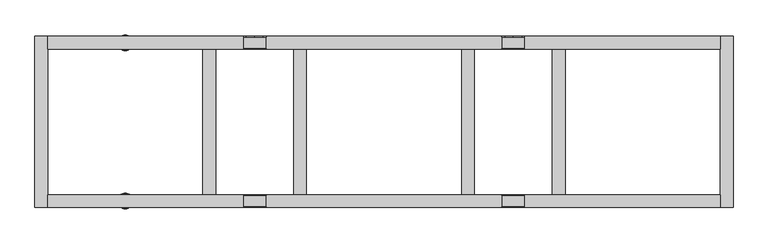
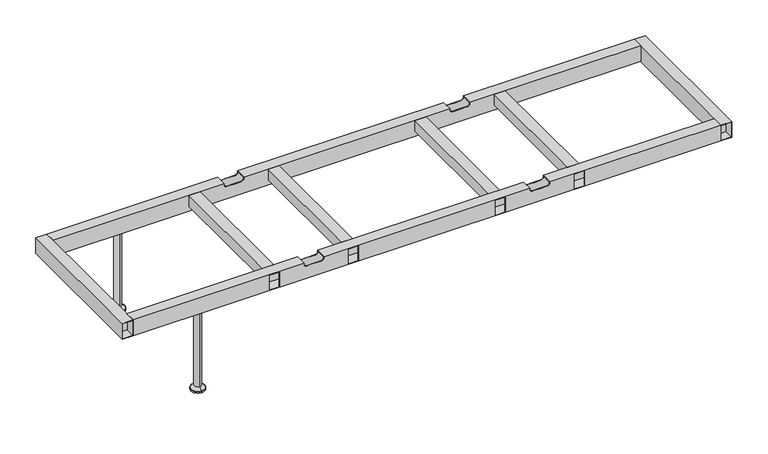
"""IFC4 building model written with IfcOpenShell, lengths in millimetres: furniture geometry."""

from ifc_helpers import new_model, si_unit, point, frame, origin, place, context, project, spatial, polyline, circle_curve, ellipse_curve, trimmed, outline, extrude, source, transform, mapped, element, save
from ifc_brep_helpers import plane_surface, cylinder_surface, revolved_surface, advanced_brep


def furniture_a7c783ca(model_context):
    return source(origin(), model_context, "Body", "SolidModel", [
        advanced_brep(
        [(-815.9812488, -275.0000031, 0.0), (-815.9812488, -225.0000031, 0.0), (-815.9812488, -250.0000031, 0.0), (-815.9812488, -250.0000031, 344.8637637), (-815.9812488, -237.5284391, 344.8637637), (-815.9812488, -262.4715672, 344.8637637), (-815.9812488, -237.5284391, 16.2604994), (-815.9812488, -262.4715672, 16.2604994), (-815.9812488, -226.770535, 5.5025953), (-815.9812488, -273.2294713, 5.5025953), (-815.9812488, -225.0000031, 5.5025953), (-815.9812488, -275.0000031, 5.5025953)],
        [
            (0, 1, circle_curve(frame((-815.9812488, -250.0000031, 0.0), z_axis=(0.0, 0.0, -1.0), x_axis=(0.0, 1.0, 0.0)), 25.0)),
            (1, 2),
            (2, 0),
            (1, 0, circle_curve(frame((-815.9812488, -250.0000031, 0.0), z_axis=(0.0, 0.0, -1.0), x_axis=(0.0, 1.0, 0.0)), 25.0)),
            (3, 4),
            (4, 5, circle_curve(frame((-815.9812488, -250.0000031, 344.8637637), z_axis=(0.0, 0.0, 1.0), x_axis=(0.0, 1.0, 0.0)), 12.471564)),
            (5, 3),
            (5, 4, circle_curve(frame((-815.9812488, -250.0000031, 344.8637637), z_axis=(0.0, 0.0, 1.0), x_axis=(0.0, 1.0, 0.0)), 12.471564)),
            (4, 6),
            (6, 7, circle_curve(frame((-815.9812488, -250.0000031, 16.2604994), z_axis=(0.0, 0.0, 1.0), x_axis=(0.0, 1.0, 0.0)), 12.471564)),
            (7, 5),
            (7, 6, circle_curve(frame((-815.9812488, -250.0000031, 16.2604994), z_axis=(0.0, 0.0, 1.0), x_axis=(0.0, 1.0, 0.0)), 12.471564)),
            (6, 8, circle_curve(frame((-815.9812488, -226.770535, 16.2604994), z_axis=(1.0, 0.0, 0.0), x_axis=(0.0, 1.0, 0.0)), 10.7579041)),
            (8, 9, circle_curve(frame((-815.9812488, -250.0000031, 5.5025953), z_axis=(0.0, 0.0, 1.0), x_axis=(0.0, 1.0, 0.0)), 23.2294681)),
            (9, 7, circle_curve(frame((-815.9812488, -273.2294713, 16.2604994), z_axis=(1.0, 0.0, 0.0), x_axis=(0.0, -1.0, 0.0)), 10.7579041)),
            (9, 8, circle_curve(frame((-815.9812488, -250.0000031, 5.5025953), z_axis=(0.0, 0.0, 1.0), x_axis=(0.0, 1.0, 0.0)), 23.2294681)),
            (8, 10),
            (10, 11, circle_curve(frame((-815.9812488, -250.0000031, 5.5025953), z_axis=(0.0, 0.0, 1.0), x_axis=(0.0, 1.0, 0.0)), 25.0)),
            (11, 9),
            (11, 10, circle_curve(frame((-815.9812488, -250.0000031, 5.5025953), z_axis=(0.0, 0.0, 1.0), x_axis=(0.0, 1.0, 0.0)), 25.0)),
            (10, 1),
            (0, 11),
        ],
        [
            plane_surface(frame((-815.9812488, -250.0000031, 0.0), z_axis=(0.0, 0.0, -1.0), x_axis=(0.0, 1.0, 0.0))),
            plane_surface(frame((-815.9812488, -250.0000031, 344.8637637), z_axis=(0.0, 0.0, 1.0), x_axis=(0.0, 1.0, 0.0))),
            cylinder_surface(frame((-815.9812488, -250.0000031, 344.8637637), z_axis=(0.0, 0.0, 1.0), x_axis=(0.0, 1.0, 0.0)), 12.471564),
            revolved_surface(trimmed(ellipse_curve(frame((-815.9812488, -226.770535, 16.2604994), z_axis=(-1.0, 0.0, 0.0), x_axis=(0.0, 1.0, 0.0)), 10.7579041, 10.7579041), [point((-815.9812488, -226.770535, 5.5025953))], [point((-815.9812488, -237.5284391, 16.2604994))], True, "CARTESIAN"), (-815.9812488, -250.0000031, 344.8637637), (0.0, 0.0, 1.0)),
            plane_surface(frame((-815.9812488, -250.0000031, 5.5025953), z_axis=(0.0, 0.0, 1.0), x_axis=(0.0, 1.0, 0.0))),
            cylinder_surface(frame((-815.9812488, -250.0000031, 344.8637637), z_axis=(0.0, 0.0, 1.0), x_axis=(0.0, 1.0, 0.0)), 25.0),
        ],
        [
            (0, [[1, 2, 3]]),
            (0, [[4, -3, -2]]),
            (1, [[5, 6, 7]]),
            (1, [[-7, 8, -5]]),
            (2, [[-6, 9, 10, 11]]),
            (2, [[-8, -11, 12, -9]]),
            (3, [[-10, 13, 14, 15]]),
            (3, [[-12, -15, 16, -13]]),
            (4, [[-14, 17, 18, 19]]),
            (4, [[-16, -19, 20, -17]]),
            (5, [[-18, 21, -1, 22]]),
            (5, [[-20, -22, -4, -21]]),
        ],
    ),
        advanced_brep(
        [(-815.9812488, 250.0000031, 0.0), (-815.9812488, 225.0000031, 0.0), (-815.9812488, 275.0000031, 0.0), (-815.9812488, 262.4715672, 344.8637637), (-815.9812488, 237.5284391, 344.8637637), (-815.9812488, 250.0000031, 344.8637637), (-815.9812488, 262.4715672, 16.2604994), (-815.9812488, 237.5284391, 16.2604994), (-815.9812488, 273.2294713, 5.5025953), (-815.9812488, 226.770535, 5.5025953), (-815.9812488, 275.0000031, 5.5025953), (-815.9812488, 225.0000031, 5.5025953)],
        [
            (0, 1),
            (1, 2, circle_curve(frame((-815.9812488, 250.0000031, 0.0), z_axis=(0.0, 0.0, -1.0), x_axis=(0.0, -1.0, 0.0)), 25.0)),
            (2, 0),
            (2, 1, circle_curve(frame((-815.9812488, 250.0000031, 0.0), z_axis=(0.0, 0.0, -1.0), x_axis=(0.0, -1.0, 0.0)), 25.0)),
            (3, 4, circle_curve(frame((-815.9812488, 250.0000031, 344.8637637), z_axis=(0.0, 0.0, 1.0), x_axis=(0.0, -1.0, 0.0)), 12.471564)),
            (4, 5),
            (5, 3),
            (4, 3, circle_curve(frame((-815.9812488, 250.0000031, 344.8637637), z_axis=(0.0, 0.0, 1.0), x_axis=(0.0, -1.0, 0.0)), 12.471564)),
            (6, 7, circle_curve(frame((-815.9812488, 250.0000031, 16.2604994), z_axis=(0.0, 0.0, 1.0), x_axis=(0.0, -1.0, 0.0)), 12.471564)),
            (7, 4),
            (3, 6),
            (7, 6, circle_curve(frame((-815.9812488, 250.0000031, 16.2604994), z_axis=(0.0, 0.0, 1.0), x_axis=(0.0, -1.0, 0.0)), 12.471564)),
            (8, 9, circle_curve(frame((-815.9812488, 250.0000031, 5.5025953), z_axis=(0.0, 0.0, 1.0), x_axis=(0.0, -1.0, 0.0)), 23.2294681)),
            (9, 7, circle_curve(frame((-815.9812488, 226.770535, 16.2604994), z_axis=(1.0, 0.0, 0.0), x_axis=(0.0, -1.0, 0.0)), 10.7579041)),
            (6, 8, circle_curve(frame((-815.9812488, 273.2294713, 16.2604994), z_axis=(1.0, 0.0, 0.0), x_axis=(0.0, 1.0, 0.0)), 10.7579041)),
            (9, 8, circle_curve(frame((-815.9812488, 250.0000031, 5.5025953), z_axis=(0.0, 0.0, 1.0), x_axis=(0.0, -1.0, 0.0)), 23.2294681)),
            (10, 11, circle_curve(frame((-815.9812488, 250.0000031, 5.5025953), z_axis=(0.0, 0.0, 1.0), x_axis=(0.0, -1.0, 0.0)), 25.0)),
            (11, 9),
            (8, 10),
            (11, 10, circle_curve(frame((-815.9812488, 250.0000031, 5.5025953), z_axis=(0.0, 0.0, 1.0), x_axis=(0.0, -1.0, 0.0)), 25.0)),
            (1, 11),
            (10, 2),
        ],
        [
            plane_surface(frame((-815.9812488, 250.0000031, 0.0), z_axis=(0.0, 0.0, -1.0), x_axis=(0.0, -1.0, 0.0))),
            plane_surface(frame((-815.9812488, 250.0000031, 344.8637637), z_axis=(0.0, 0.0, 1.0), x_axis=(0.0, -1.0, 0.0))),
            cylinder_surface(frame((-815.9812488, 250.0000031, 344.8637637), z_axis=(0.0, 0.0, -1.0), x_axis=(0.0, -1.0, 0.0)), 12.471564),
            revolved_surface(trimmed(ellipse_curve(frame((-815.9812488, 226.770535, 16.2604994), z_axis=(-1.0, 0.0, 0.0), x_axis=(0.0, -1.0, 0.0)), 10.7579041, 10.7579041), [point((-815.9812488, 237.5284391, 16.2604994))], [point((-815.9812488, 226.770535, 5.5025953))], True, "CARTESIAN"), (-815.9812488, 250.0000031, 344.8637637), (0.0, 0.0, -1.0)),
            plane_surface(frame((-815.9812488, 250.0000031, 5.5025953), z_axis=(0.0, 0.0, 1.0), x_axis=(0.0, -1.0, 0.0))),
            cylinder_surface(frame((-815.9812488, 250.0000031, 344.8637637), z_axis=(0.0, 0.0, -1.0), x_axis=(0.0, -1.0, 0.0)), 25.0),
        ],
        [
            (0, [[1, 2, 3]]),
            (0, [[-3, 4, -1]]),
            (1, [[5, 6, 7]]),
            (1, [[8, -7, -6]]),
            (2, [[9, 10, -5, 11]]),
            (2, [[12, -11, -8, -10]]),
            (3, [[13, 14, -9, 15]]),
            (3, [[16, -15, -12, -14]]),
            (4, [[17, 18, -13, 19]]),
            (4, [[20, -19, -16, -18]]),
            (5, [[-2, 21, -17, 22]]),
            (5, [[-4, -22, -20, -21]]),
        ],
    ),
        advanced_brep(
        [(-407.9906244, -230.0000056, 346.6346058), (-407.9906244, -232.0000018, 346.6346058), (-381.9939756, -232.0000018, 346.6346058), (-381.9939756, -230.0000056, 346.6346058), (-407.9906244, -268.0000023, 346.6346058), (-407.9906244, -270.0000061, 346.6346058), (-381.9939756, -270.0000061, 346.6346058), (-381.9939756, -268.0000023, 346.6346058), (-371.9939756, -232.0000018, 356.6346058), (-371.9939756, -230.0000056, 356.6346058), (-371.9939756, -270.0000061, 356.6346058), (-371.9939756, -268.0000023, 356.6346058), (-371.9939756, -232.0000018, 357.9224338), (-371.9939756, -268.0000023, 357.9224338), (-371.9939756, -270.0000061, 359.922434), (-371.9939756, -230.0000056, 359.922434), (-443.9872732, -232.0000018, 356.6346058), (-443.9872732, -230.0000056, 356.6346058), (-443.9872732, -230.0000056, 359.922434), (-443.9872732, -270.0000061, 359.922434), (-443.9872732, -270.0000061, 356.6346058), (-443.9872732, -268.0000023, 356.6346058), (-443.9872732, -268.0000023, 357.9224338), (-443.9872732, -232.0000018, 357.9224338), (-433.9872732, -230.0000056, 346.6346058), (-433.9872732, -232.0000018, 346.6346058), (-433.9872732, -268.0000023, 346.6346058), (-433.9872732, -270.0000061, 346.6346058), (1060.9822296, -230.0000056, 359.922434), (1060.9822296, -270.0000061, 359.922434), (1060.9822296, -270.0000061, 299.9223263), (1060.9822296, -230.0000056, 299.9223263), (1060.9822296, -268.0000023, 301.9086098), (1060.9822296, -268.0000023, 357.9224338), (1060.9822296, -232.0000018, 357.9224338), (1060.9822296, -232.0000018, 301.9086098), (-1060.9822296, -230.0000056, 359.922434), (-1060.9822296, -230.0000056, 299.9223263), (-1060.9822296, -270.0000061, 299.9223263), (-1060.9822296, -270.0000061, 359.922434), (-1060.9822296, -268.0000023, 301.9086098), (-1060.9822296, -232.0000018, 301.9086098), (-1060.9822296, -232.0000018, 357.9224338), (-1060.9822296, -268.0000023, 357.9224338), (371.9939756, -230.0000056, 359.922434), (371.9939756, -230.0000056, 356.6346058), (381.9939756, -230.0000056, 346.6346058), (407.9906244, -230.0000056, 346.6346058), (433.9872732, -230.0000056, 346.6346058), (443.9872732, -230.0000056, 356.6346058), (443.9872732, -230.0000056, 359.922434), (443.9872732, -270.0000061, 359.922434), (443.9872732, -270.0000061, 356.6346058), (433.9872732, -270.0000061, 346.6346058), (407.9906244, -270.0000061, 346.6346058), (381.9939756, -270.0000061, 346.6346058), (371.9939756, -270.0000061, 356.6346058), (371.9939756, -270.0000061, 359.922434), (-568.96075, -270.0000061, 357.9224338), (-532.9720684, -270.0000061, 357.9224338), (-532.9720684, -270.0000061, 301.9086098), (-568.96075, -270.0000061, 301.9086098), (-283.0091805, -270.0000061, 357.9224338), (-247.0204988, -270.0000061, 357.9224338), (-247.0204988, -270.0000061, 301.9086098), (-283.0091805, -270.0000061, 301.9086098), (247.0204988, -270.0000061, 357.9224338), (283.0091805, -270.0000061, 357.9224338), (283.0091805, -270.0000061, 301.9086098), (247.0204988, -270.0000061, 301.9086098), (532.9720684, -270.0000061, 357.9224338), (568.96075, -270.0000061, 357.9224338), (568.96075, -270.0000061, 301.9086098), (532.9720684, -270.0000061, 301.9086098), (-568.96075, -268.0000023, 301.9086098), (-532.9720684, -268.0000023, 301.9086098), (-283.0091805, -268.0000023, 301.9086098), (-247.0204988, -268.0000023, 301.9086098), (247.0204988, -268.0000023, 301.9086098), (283.0091805, -268.0000023, 301.9086098), (532.9720684, -268.0000023, 301.9086098), (568.96075, -268.0000023, 301.9086098), (443.9872732, -232.0000018, 357.9224338), (443.9872732, -232.0000018, 356.6346058), (433.9872732, -232.0000018, 346.6346058), (407.9906244, -232.0000018, 346.6346058), (381.9939756, -232.0000018, 346.6346058), (371.9939756, -232.0000018, 356.6346058), (371.9939756, -232.0000018, 357.9224338), (568.96075, -268.0000023, 357.9224338), (532.9720684, -268.0000023, 357.9224338), (443.9872732, -268.0000023, 357.9224338), (-532.9720684, -268.0000023, 357.9224338), (-568.96075, -268.0000023, 357.9224338), (371.9939756, -268.0000023, 357.9224338), (283.0091805, -268.0000023, 357.9224338), (247.0204988, -268.0000023, 357.9224338), (-247.0204988, -268.0000023, 357.9224338), (-283.0091805, -268.0000023, 357.9224338), (407.9906244, -268.0000023, 346.6346058), (433.9872732, -268.0000023, 346.6346058), (443.9872732, -268.0000023, 356.6346058), (371.9939756, -268.0000023, 356.6346058), (381.9939756, -268.0000023, 346.6346058)],
        [
            (0, 1),
            (1, 2),
            (2, 3),
            (3, 0),
            (4, 5),
            (5, 6),
            (6, 7),
            (7, 4),
            (2, 8, circle_curve(frame((-381.9939756, -232.0000018, 356.6346058), z_axis=(0.0, -1.0, 0.0), x_axis=(-1.0, 0.0, 0.0)), 10.0)),
            (8, 9),
            (9, 3, circle_curve(frame((-381.9939756, -230.0000056, 356.6346058), z_axis=(0.0, 1.0, 0.0), x_axis=(-1.0, 0.0, 0.0)), 10.0)),
            (6, 10, circle_curve(frame((-381.9939756, -270.0000061, 356.6346058), z_axis=(0.0, -1.0, 0.0), x_axis=(-1.0, 0.0, 0.0)), 10.0)),
            (10, 11),
            (11, 7, circle_curve(frame((-381.9939756, -268.0000023, 356.6346058), z_axis=(0.0, 1.0, 0.0), x_axis=(-1.0, 0.0, 0.0)), 10.0)),
            (8, 12),
            (12, 13),
            (13, 11),
            (10, 14),
            (14, 15),
            (15, 9),
            (16, 17),
            (17, 18),
            (18, 19),
            (19, 20),
            (20, 21),
            (21, 22),
            (22, 23),
            (23, 16),
            (0, 24),
            (24, 25),
            (25, 1),
            (4, 26),
            (26, 27),
            (27, 5),
            (24, 17, circle_curve(frame((-433.9872732, -230.0000056, 356.6346058), z_axis=(0.0, 1.0, 0.0), x_axis=(1.0, 0.0, 0.0)), 10.0)),
            (16, 25, circle_curve(frame((-433.9872732, -232.0000018, 356.6346058), z_axis=(0.0, -1.0, 0.0), x_axis=(1.0, 0.0, 0.0)), 10.0)),
            (26, 21, circle_curve(frame((-433.9872732, -268.0000023, 356.6346058), z_axis=(0.0, 1.0, 0.0), x_axis=(1.0, 0.0, 0.0)), 10.0)),
            (20, 27, circle_curve(frame((-433.9872732, -270.0000061, 356.6346058), z_axis=(0.0, -1.0, 0.0), x_axis=(1.0, 0.0, 0.0)), 10.0)),
            (28, 29),
            (29, 30),
            (30, 31),
            (31, 28),
            (32, 33),
            (33, 34),
            (34, 35),
            (35, 32),
            (36, 37),
            (37, 38),
            (38, 39),
            (39, 36),
            (40, 41),
            (41, 42),
            (42, 43),
            (43, 40),
            (31, 37),
            (36, 18),
            (15, 44),
            (44, 45),
            (45, 46, circle_curve(frame((381.9939756, -230.0000056, 356.6346058), z_axis=(0.0, -1.0, 0.0), x_axis=(1.0, 0.0, 0.0)), 10.0)),
            (46, 47),
            (47, 48),
            (48, 49, circle_curve(frame((433.9872732, -230.0000056, 356.6346058), z_axis=(0.0, -1.0, 0.0), x_axis=(-1.0, 0.0, 0.0)), 10.0)),
            (49, 50),
            (50, 28),
            (30, 38),
            (29, 51),
            (51, 52),
            (52, 53, circle_curve(frame((433.9872732, -270.0000061, 356.6346058), z_axis=(0.0, 1.0, 0.0), x_axis=(-1.0, 0.0, 0.0)), 10.0)),
            (53, 54),
            (54, 55),
            (55, 56, circle_curve(frame((381.9939756, -270.0000061, 356.6346058), z_axis=(0.0, 1.0, 0.0), x_axis=(1.0, 0.0, 0.0)), 10.0)),
            (56, 57),
            (57, 14),
            (19, 39),
            (58, 59),
            (59, 60),
            (60, 61),
            (61, 58),
            (62, 63),
            (63, 64),
            (64, 65),
            (65, 62),
            (66, 67),
            (67, 68),
            (68, 69),
            (69, 66),
            (70, 71),
            (71, 72),
            (72, 73),
            (73, 70),
            (50, 51),
            (57, 44),
            (35, 41),
            (40, 74),
            (74, 61),
            (60, 75),
            (75, 76),
            (76, 65),
            (64, 77),
            (77, 78),
            (78, 69),
            (68, 79),
            (79, 80),
            (80, 73),
            (72, 81),
            (81, 32),
            (34, 82),
            (82, 83),
            (83, 84, circle_curve(frame((433.9872732, -232.0000018, 356.6346058), z_axis=(0.0, 1.0, 0.0), x_axis=(-1.0, 0.0, 0.0)), 10.0)),
            (84, 85),
            (85, 86),
            (86, 87, circle_curve(frame((381.9939756, -232.0000018, 356.6346058), z_axis=(0.0, 1.0, 0.0), x_axis=(1.0, 0.0, 0.0)), 10.0)),
            (87, 88),
            (88, 12),
            (23, 42),
            (33, 89),
            (89, 71),
            (70, 90),
            (90, 91),
            (91, 82),
            (22, 92),
            (92, 59),
            (58, 93),
            (93, 43),
            (88, 94),
            (94, 95),
            (95, 67),
            (66, 96),
            (96, 97),
            (97, 63),
            (62, 98),
            (98, 13),
            (81, 89),
            (93, 74),
            (98, 76),
            (75, 92),
            (77, 97),
            (96, 78),
            (99, 100),
            (100, 101, circle_curve(frame((433.9872732, -268.0000023, 356.6346058), z_axis=(0.0, -1.0, 0.0), x_axis=(-1.0, 0.0, 0.0)), 10.0)),
            (101, 91),
            (90, 80),
            (79, 95),
            (94, 102),
            (102, 103, circle_curve(frame((381.9939756, -268.0000023, 356.6346058), z_axis=(0.0, -1.0, 0.0), x_axis=(1.0, 0.0, 0.0)), 10.0)),
            (103, 99),
            (47, 85),
            (84, 48),
            (99, 54),
            (53, 100),
            (83, 49),
            (52, 101),
            (87, 45),
            (56, 102),
            (46, 86),
            (103, 55),
        ],
        [
            plane_surface(frame((-407.9906244, -287.5262628, 346.6346058), z_axis=(0.0, 0.0, 1.0), x_axis=(0.0, 1.0, 0.0))),
            revolved_surface(polyline([(-391.9939756, -232.0000018, 356.6346058), (-391.9939756, -230.00000560000007, 356.6346058)]), (-381.9939756, 314.3107458, 356.6346058), (0.0, -1.0, 0.0)),
            revolved_surface(polyline([(-391.9939756, -270.0000061, 356.6346058), (-391.9939756, -268.00000229999995, 356.6346058)]), (-381.9939756, 314.3107458, 356.6346058), (0.0, -1.0, 0.0)),
            plane_surface(frame((-371.9939756, -287.5262628, 356.6346058), z_axis=(-1.0, 0.0, 0.0), x_axis=(0.0, 1.0, 0.0))),
            plane_surface(frame((-443.9872732, -287.5262628, 378.869628), z_axis=(1.0, 0.0, 0.0), x_axis=(0.0, 1.0, 0.0))),
            plane_surface(frame((-433.9872732, -287.5262628, 346.6346058), z_axis=(0.0, 0.0, 1.0), x_axis=(0.0, 1.0, 0.0))),
            revolved_surface(polyline([(-423.9872732, -232.0000018, 356.6346058), (-423.9872732, -230.00000560000007, 356.6346058)]), (-433.9872732, 314.3107458, 356.6346058), (0.0, -1.0, 0.0)),
            revolved_surface(polyline([(-423.9872732, -270.0000061, 356.6346058), (-423.9872732, -268.00000229999995, 356.6346058)]), (-433.9872732, 314.3107458, 356.6346058), (0.0, -1.0, 0.0)),
            plane_surface(frame((1060.9822296, -270.0000061, 359.922434), z_axis=(1.0, 0.0, 0.0), x_axis=(0.0, -1.0, 0.0))),
            plane_surface(frame((-1060.9822296, -270.0000061, 359.922434), z_axis=(-1.0, 0.0, 0.0), x_axis=(0.0, 1.0, 0.0))),
            plane_surface(frame((1060.9822296, -230.0000056, 299.9223263), z_axis=(0.0, 1.0, 0.0), x_axis=(-1.0, 0.0, 0.0))),
            plane_surface(frame((1060.9822296, -270.0000061, 299.9223263), z_axis=(0.0, 0.0, -1.0), x_axis=(-1.0, 0.0, 0.0))),
            plane_surface(frame((1060.9822296, -270.0000061, 359.922434), z_axis=(0.0, -1.0, 0.0), x_axis=(-1.0, 0.0, 0.0))),
            plane_surface(frame((1060.9822296, -230.0000056, 359.922434), z_axis=(0.0, 0.0, 1.0), x_axis=(-1.0, 0.0, 0.0))),
            plane_surface(frame((1060.9822296, -232.0000018, 301.9086098), z_axis=(0.0, 0.0, 1.0), x_axis=(-1.0, 0.0, 0.0))),
            plane_surface(frame((1060.9822296, -232.0000018, 357.9224338), z_axis=(0.0, -1.0, 0.0), x_axis=(-1.0, 0.0, 0.0))),
            plane_surface(frame((1060.9822296, -268.0000023, 357.9224338), z_axis=(0.0, 0.0, -1.0), x_axis=(-1.0, 0.0, 0.0))),
            plane_surface(frame((1060.9822296, -268.0000023, 301.9086098), z_axis=(0.0, 1.0, 0.0), x_axis=(-1.0, 0.0, 0.0))),
            plane_surface(frame((-568.96075, -282.4008656, 357.9224338), z_axis=(1.0, 0.0, 0.0), x_axis=(0.0, 1.0, 0.0))),
            plane_surface(frame((-532.9720684, -282.4008656, 301.9086098), z_axis=(-1.0, 0.0, 0.0), x_axis=(0.0, 1.0, 0.0))),
            plane_surface(frame((-247.0204988, -282.4008656, 301.9086098), z_axis=(-1.0, 0.0, 0.0), x_axis=(0.0, 1.0, 0.0))),
            plane_surface(frame((-283.0091805, -282.4008656, 357.9224338), z_axis=(1.0, 0.0, 0.0), x_axis=(0.0, 1.0, 0.0))),
            plane_surface(frame((407.9906244, -287.5262628, 346.6346058), z_axis=(0.0, 0.0, 1.0), x_axis=(0.0, 1.0, 0.0))),
            revolved_surface(polyline([(423.9872732, -232.0000018, 356.6346058), (423.9872732, -230.00000560000007, 356.6346058)]), (433.9872732, 314.3107458, 356.6346058), (0.0, -1.0, 0.0)),
            revolved_surface(polyline([(423.9872732, -270.0000061, 356.6346058), (423.9872732, -268.00000229999995, 356.6346058)]), (433.9872732, 314.3107458, 356.6346058), (0.0, -1.0, 0.0)),
            plane_surface(frame((443.9872732, -287.5262628, 356.6346058), z_axis=(-1.0, 0.0, 0.0), x_axis=(0.0, 1.0, 0.0))),
            plane_surface(frame((371.9939756, -287.5262628, 378.869628), z_axis=(1.0, 0.0, 0.0), x_axis=(0.0, 1.0, 0.0))),
            plane_surface(frame((381.9939756, -287.5262628, 346.6346058), z_axis=(0.0, 0.0, 1.0), x_axis=(0.0, 1.0, 0.0))),
            revolved_surface(polyline([(391.9939756, -232.0000018, 356.6346058), (391.9939756, -230.00000560000007, 356.6346058)]), (381.9939756, 314.3107458, 356.6346058), (0.0, -1.0, 0.0)),
            revolved_surface(polyline([(391.9939756, -270.0000061, 356.6346058), (391.9939756, -268.00000229999995, 356.6346058)]), (381.9939756, 314.3107458, 356.6346058), (0.0, -1.0, 0.0)),
            plane_surface(frame((247.0204988, -282.4008656, 357.9224338), z_axis=(1.0, 0.0, 0.0), x_axis=(0.0, 1.0, 0.0))),
            plane_surface(frame((283.0091805, -282.4008656, 301.9086098), z_axis=(-1.0, 0.0, 0.0), x_axis=(0.0, 1.0, 0.0))),
            plane_surface(frame((568.96075, -282.4008656, 301.9086098), z_axis=(-1.0, 0.0, 0.0), x_axis=(0.0, 1.0, 0.0))),
            plane_surface(frame((532.9720684, -282.4008656, 357.9224338), z_axis=(1.0, 0.0, 0.0), x_axis=(0.0, 1.0, 0.0))),
        ],
        [
            (0, [[1, 2, 3, 4]]),
            (0, [[5, 6, 7, 8]]),
            (1, [[-3, 9, 10, 11]]),
            (2, [[-7, 12, 13, 14]]),
            (3, [[-10, 15, 16, 17, -13, 18, 19, 20]]),
            (4, [[21, 22, 23, 24, 25, 26, 27, 28]]),
            (5, [[-1, 29, 30, 31]]),
            (5, [[-5, 32, 33, 34]]),
            (6, [[-30, 35, -21, 36]]),
            (7, [[-33, 37, -25, 38]]),
            (8, [[39, 40, 41, 42], [43, 44, 45, 46]]),
            (9, [[47, 48, 49, 50], [51, 52, 53, 54]]),
            (10, [[-42, 55, -47, 56, -22, -35, -29, -4, -11, -20, 57, 58, 59, 60, 61, 62, 63, 64]]),
            (11, [[-41, 65, -48, -55]]),
            (12, [[-40, 66, 67, 68, 69, 70, 71, 72, 73, -18, -12, -6, -34, -38, -24, 74, -49, -65], [75, 76, 77, 78], [79, 80, 81, 82], [83, 84, 85, 86], [87, 88, 89, 90]]),
            (13, [[-39, -64, 91, -66]]),
            (13, [[-50, -74, -23, -56]]),
            (13, [[-19, -73, 92, -57]]),
            (14, [[-46, 93, -51, 94, 95, -77, 96, 97, 98, -81, 99, 100, 101, -85, 102, 103, 104, -89, 105, 106]]),
            (15, [[-45, 107, 108, 109, 110, 111, 112, 113, 114, -15, -9, -2, -31, -36, -28, 115, -52, -93]]),
            (16, [[-44, 116, 117, -87, 118, 119, 120, -107]]),
            (16, [[-53, -115, -27, 121, 122, -75, 123, 124]]),
            (16, [[-16, -114, 125, 126, 127, -83, 128, 129, 130, -79, 131, 132]]),
            (17, [[-43, -106, 133, -116]]),
            (17, [[-54, -124, 134, -94]]),
            (17, [[-8, -14, -17, -132, 135, -97, 136, -121, -26, -37, -32]]),
            (17, [[137, -129, 138, -100]]),
            (17, [[139, 140, 141, -119, 142, -103, 143, -126, 144, 145, 146]]),
            (18, [[-123, -78, -95, -134]]),
            (19, [[-122, -136, -96, -76]]),
            (20, [[-130, -137, -99, -80]]),
            (21, [[-98, -135, -131, -82]]),
            (22, [[147, -110, 148, -61]]),
            (22, [[149, -69, 150, -139]]),
            (23, [[-148, -109, 151, -62]]),
            (24, [[-150, -68, 152, -140]]),
            (25, [[-151, -108, -120, -141, -152, -67, -91, -63]]),
            (26, [[153, -58, -92, -72, 154, -144, -125, -113]]),
            (27, [[-147, -60, 155, -111]]),
            (27, [[-149, -146, 156, -70]]),
            (28, [[-155, -59, -153, -112]]),
            (29, [[-156, -145, -154, -71]]),
            (30, [[-128, -86, -101, -138]]),
            (31, [[-127, -143, -102, -84]]),
            (32, [[-117, -133, -105, -88]]),
            (33, [[-104, -142, -118, -90]]),
        ],
    ),
        advanced_brep(
        [(1060.9822296, 230.0000056, 359.922434), (1060.9822296, 230.0000056, 299.9223263), (1060.9822296, 270.0000061, 299.9223263), (1060.9822296, 270.0000061, 359.922434), (1060.9822296, 268.0000023, 301.9086098), (1060.9822296, 232.0000018, 301.9086098), (1060.9822296, 232.0000018, 357.9224338), (1060.9822296, 268.0000023, 357.9224338), (-1060.9822296, 230.0000056, 359.922434), (-1060.9822296, 270.0000061, 359.922434), (-1060.9822296, 270.0000061, 299.9223263), (-1060.9822296, 230.0000056, 299.9223263), (-1060.9822296, 268.0000023, 301.9086098), (-1060.9822296, 268.0000023, 357.9224338), (-1060.9822296, 232.0000018, 357.9224338), (-1060.9822296, 232.0000018, 301.9086098), (443.9872732, 230.0000056, 359.922434), (443.9872732, 230.0000056, 356.6346058), (433.9872732, 230.0000056, 346.6346058), (407.9906244, 230.0000056, 346.6346058), (381.9939756, 230.0000056, 346.6346058), (371.9939756, 230.0000056, 356.6346058), (371.9939756, 230.0000056, 359.922434), (-371.9939756, 230.0000056, 359.922434), (-371.9939756, 230.0000056, 356.6346058), (-381.9939756, 230.0000056, 346.6346058), (-407.9906244, 230.0000056, 346.6346058), (-433.9872732, 230.0000056, 346.6346058), (-443.9872732, 230.0000056, 356.6346058), (-443.9872732, 230.0000056, 359.922434), (-443.9872732, 270.0000061, 359.922434), (-443.9872732, 270.0000061, 356.6346058), (-433.9872732, 270.0000061, 346.6346058), (-407.9906244, 270.0000061, 346.6346058), (-381.9939756, 270.0000061, 346.6346058), (-371.9939756, 270.0000061, 356.6346058), (-371.9939756, 270.0000061, 359.922434), (371.9939756, 270.0000061, 359.922434), (371.9939756, 270.0000061, 356.6346058), (381.9939756, 270.0000061, 346.6346058), (407.9906244, 270.0000061, 346.6346058), (433.9872732, 270.0000061, 346.6346058), (443.9872732, 270.0000061, 356.6346058), (443.9872732, 270.0000061, 359.922434), (-247.0204988, 270.0000061, 357.9224338), (-283.0091805, 270.0000061, 357.9224338), (-283.0091805, 270.0000061, 301.9086098), (-247.0204988, 270.0000061, 301.9086098), (-532.9720684, 270.0000061, 357.9224338), (-568.96075, 270.0000061, 357.9224338), (-568.96075, 270.0000061, 301.9086098), (-532.9720684, 270.0000061, 301.9086098), (283.0091805, 270.0000061, 357.9224338), (247.0204988, 270.0000061, 357.9224338), (247.0204988, 270.0000061, 301.9086098), (283.0091805, 270.0000061, 301.9086098), (568.96075, 270.0000061, 357.9224338), (532.9720684, 270.0000061, 357.9224338), (532.9720684, 270.0000061, 301.9086098), (568.96075, 270.0000061, 301.9086098), (568.96075, 268.0000023, 301.9086098), (532.9720684, 268.0000023, 301.9086098), (283.0091805, 268.0000023, 301.9086098), (247.0204988, 268.0000023, 301.9086098), (-247.0204988, 268.0000023, 301.9086098), (-283.0091805, 268.0000023, 301.9086098), (-532.9720684, 268.0000023, 301.9086098), (-568.96075, 268.0000023, 301.9086098), (-443.9872732, 232.0000018, 357.9224338), (-443.9872732, 232.0000018, 356.6346058), (-433.9872732, 232.0000018, 346.6346058), (-407.9906244, 232.0000018, 346.6346058), (-381.9939756, 232.0000018, 346.6346058), (-371.9939756, 232.0000018, 356.6346058), (-371.9939756, 232.0000018, 357.9224338), (371.9939756, 232.0000018, 357.9224338), (371.9939756, 232.0000018, 356.6346058), (381.9939756, 232.0000018, 346.6346058), (407.9906244, 232.0000018, 346.6346058), (433.9872732, 232.0000018, 346.6346058), (443.9872732, 232.0000018, 356.6346058), (443.9872732, 232.0000018, 357.9224338), (443.9872732, 268.0000023, 357.9224338), (532.9720684, 268.0000023, 357.9224338), (568.96075, 268.0000023, 357.9224338), (-568.96075, 268.0000023, 357.9224338), (-532.9720684, 268.0000023, 357.9224338), (-443.9872732, 268.0000023, 357.9224338), (-371.9939756, 268.0000023, 357.9224338), (-283.0091805, 268.0000023, 357.9224338), (-247.0204988, 268.0000023, 357.9224338), (247.0204988, 268.0000023, 357.9224338), (283.0091805, 268.0000023, 357.9224338), (371.9939756, 268.0000023, 357.9224338), (-381.9939756, 268.0000023, 346.6346058), (-407.9906244, 268.0000023, 346.6346058), (-433.9872732, 268.0000023, 346.6346058), (-443.9872732, 268.0000023, 356.6346058), (-371.9939756, 268.0000023, 356.6346058), (443.9872732, 268.0000023, 356.6346058), (433.9872732, 268.0000023, 346.6346058), (407.9906244, 268.0000023, 346.6346058), (381.9939756, 268.0000023, 346.6346058), (371.9939756, 268.0000023, 356.6346058)],
        [
            (0, 1),
            (1, 2),
            (2, 3),
            (3, 0),
            (4, 5),
            (5, 6),
            (6, 7),
            (7, 4),
            (8, 9),
            (9, 10),
            (10, 11),
            (11, 8),
            (12, 13),
            (13, 14),
            (14, 15),
            (15, 12),
            (0, 16),
            (16, 17),
            (17, 18, circle_curve(frame((433.9872732, 230.0000056, 356.6346058), z_axis=(0.0, 1.0, 0.0), x_axis=(-1.0, 0.0, 0.0)), 10.0)),
            (18, 19),
            (19, 20),
            (20, 21, circle_curve(frame((381.9939756, 230.0000056, 356.6346058), z_axis=(0.0, 1.0, 0.0), x_axis=(1.0, 0.0, 0.0)), 10.0)),
            (21, 22),
            (22, 23),
            (23, 24),
            (24, 25, circle_curve(frame((-381.9939756, 230.0000056, 356.6346058), z_axis=(0.0, 1.0, 0.0), x_axis=(-1.0, 0.0, 0.0)), 10.0)),
            (25, 26),
            (26, 27),
            (27, 28, circle_curve(frame((-433.9872732, 230.0000056, 356.6346058), z_axis=(0.0, 1.0, 0.0), x_axis=(1.0, 0.0, 0.0)), 10.0)),
            (28, 29),
            (29, 8),
            (11, 1),
            (10, 2),
            (9, 30),
            (30, 31),
            (31, 32, circle_curve(frame((-433.9872732, 270.0000061, 356.6346058), z_axis=(0.0, -1.0, 0.0), x_axis=(1.0, 0.0, 0.0)), 10.0)),
            (32, 33),
            (33, 34),
            (34, 35, circle_curve(frame((-381.9939756, 270.0000061, 356.6346058), z_axis=(0.0, -1.0, 0.0), x_axis=(-1.0, 0.0, 0.0)), 10.0)),
            (35, 36),
            (36, 37),
            (37, 38),
            (38, 39, circle_curve(frame((381.9939756, 270.0000061, 356.6346058), z_axis=(0.0, -1.0, 0.0), x_axis=(1.0, 0.0, 0.0)), 10.0)),
            (39, 40),
            (40, 41),
            (41, 42, circle_curve(frame((433.9872732, 270.0000061, 356.6346058), z_axis=(0.0, -1.0, 0.0), x_axis=(-1.0, 0.0, 0.0)), 10.0)),
            (42, 43),
            (43, 3),
            (44, 45),
            (45, 46),
            (46, 47),
            (47, 44),
            (48, 49),
            (49, 50),
            (50, 51),
            (51, 48),
            (52, 53),
            (53, 54),
            (54, 55),
            (55, 52),
            (56, 57),
            (57, 58),
            (58, 59),
            (59, 56),
            (43, 16),
            (29, 30),
            (36, 23),
            (22, 37),
            (4, 60),
            (60, 59),
            (58, 61),
            (61, 62),
            (62, 55),
            (54, 63),
            (63, 64),
            (64, 47),
            (46, 65),
            (65, 66),
            (66, 51),
            (50, 67),
            (67, 12),
            (15, 5),
            (14, 68),
            (68, 69),
            (69, 70, circle_curve(frame((-433.9872732, 232.0000018, 356.6346058), z_axis=(0.0, -1.0, 0.0), x_axis=(1.0, 0.0, 0.0)), 10.0)),
            (70, 71),
            (71, 72),
            (72, 73, circle_curve(frame((-381.9939756, 232.0000018, 356.6346058), z_axis=(0.0, -1.0, 0.0), x_axis=(-1.0, 0.0, 0.0)), 10.0)),
            (73, 74),
            (74, 75),
            (75, 76),
            (76, 77, circle_curve(frame((381.9939756, 232.0000018, 356.6346058), z_axis=(0.0, -1.0, 0.0), x_axis=(1.0, 0.0, 0.0)), 10.0)),
            (77, 78),
            (78, 79),
            (79, 80, circle_curve(frame((433.9872732, 232.0000018, 356.6346058), z_axis=(0.0, -1.0, 0.0), x_axis=(-1.0, 0.0, 0.0)), 10.0)),
            (80, 81),
            (81, 6),
            (81, 82),
            (82, 83),
            (83, 57),
            (56, 84),
            (84, 7),
            (13, 85),
            (85, 49),
            (48, 86),
            (86, 87),
            (87, 68),
            (74, 88),
            (88, 89),
            (89, 45),
            (44, 90),
            (90, 91),
            (91, 53),
            (52, 92),
            (92, 93),
            (93, 75),
            (84, 60),
            (67, 85),
            (94, 95),
            (95, 96),
            (96, 97, circle_curve(frame((-433.9872732, 268.0000023, 356.6346058), z_axis=(0.0, 1.0, 0.0), x_axis=(1.0, 0.0, 0.0)), 10.0)),
            (97, 87),
            (86, 66),
            (65, 89),
            (88, 98),
            (98, 94, circle_curve(frame((-381.9939756, 268.0000023, 356.6346058), z_axis=(0.0, 1.0, 0.0), x_axis=(-1.0, 0.0, 0.0)), 10.0)),
            (90, 64),
            (63, 91),
            (92, 62),
            (61, 83),
            (82, 99),
            (99, 100, circle_curve(frame((433.9872732, 268.0000023, 356.6346058), z_axis=(0.0, 1.0, 0.0), x_axis=(-1.0, 0.0, 0.0)), 10.0)),
            (100, 101),
            (101, 102),
            (102, 103, circle_curve(frame((381.9939756, 268.0000023, 356.6346058), z_axis=(0.0, 1.0, 0.0), x_axis=(1.0, 0.0, 0.0)), 10.0)),
            (103, 93),
            (71, 26),
            (25, 72),
            (33, 95),
            (94, 34),
            (24, 73),
            (98, 35),
            (28, 69),
            (97, 31),
            (70, 27),
            (32, 96),
            (78, 19),
            (18, 79),
            (40, 101),
            (100, 41),
            (17, 80),
            (99, 42),
            (21, 76),
            (103, 38),
            (77, 20),
            (39, 102),
        ],
        [
            plane_surface(frame((1060.9822296, 230.0000056, 319.6891771), z_axis=(1.0, 0.0, 0.0), x_axis=(0.0, 0.0, -1.0))),
            plane_surface(frame((-1060.9822296, 230.0000056, 319.6891771), z_axis=(-1.0, 0.0, 0.0), x_axis=(0.0, 0.0, 1.0))),
            plane_surface(frame((1060.9822296, 230.0000056, 359.922434), z_axis=(0.0, -1.0, 0.0), x_axis=(-1.0, 0.0, 0.0))),
            plane_surface(frame((1060.9822296, 230.0000056, 299.9223263), z_axis=(0.0, 0.0, -1.0), x_axis=(-1.0, 0.0, 0.0))),
            plane_surface(frame((1060.9822296, 270.0000061, 299.9223263), z_axis=(0.0, 1.0, 0.0), x_axis=(-1.0, 0.0, 0.0))),
            plane_surface(frame((1060.9822296, 270.0000061, 359.922434), z_axis=(0.0, 0.0, 1.0), x_axis=(-1.0, 0.0, 0.0))),
            plane_surface(frame((1060.9822296, 268.0000023, 301.9086098), z_axis=(0.0, 0.0, 1.0), x_axis=(-1.0, 0.0, 0.0))),
            plane_surface(frame((1060.9822296, 232.0000018, 301.9086098), z_axis=(0.0, 1.0, 0.0), x_axis=(-1.0, 0.0, 0.0))),
            plane_surface(frame((1060.9822296, 232.0000018, 357.9224338), z_axis=(0.0, 0.0, -1.0), x_axis=(-1.0, 0.0, 0.0))),
            plane_surface(frame((1060.9822296, 268.0000023, 357.9224338), z_axis=(0.0, -1.0, 0.0), x_axis=(-1.0, 0.0, 0.0))),
            plane_surface(frame((-407.9906244, -287.5262628, 346.6346058), z_axis=(0.0, 0.0, 1.0), x_axis=(0.0, 1.0, 0.0))),
            revolved_surface(polyline([(-391.9939756, 230.0000056, 356.6346058), (-391.9939756, 232.0000018, 356.6346058)]), (-381.9939756, 314.3107458, 356.6346058), (0.0, -1.0, 0.0)),
            revolved_surface(polyline([(-391.9939756, 268.0000023, 356.6346058), (-391.9939756, 270.0000061, 356.6346058)]), (-381.9939756, 314.3107458, 356.6346058), (0.0, -1.0, 0.0)),
            plane_surface(frame((-371.9939756, -287.5262628, 356.6346058), z_axis=(-1.0, 0.0, 0.0), x_axis=(0.0, 1.0, 0.0))),
            plane_surface(frame((-443.9872732, -287.5262628, 378.869628), z_axis=(1.0, 0.0, 0.0), x_axis=(0.0, 1.0, 0.0))),
            plane_surface(frame((-433.9872732, -287.5262628, 346.6346058), z_axis=(0.0, 0.0, 1.0), x_axis=(0.0, 1.0, 0.0))),
            revolved_surface(polyline([(-423.9872732, 230.0000056, 356.6346058), (-423.9872732, 232.0000018, 356.6346058)]), (-433.9872732, 314.3107458, 356.6346058), (0.0, -1.0, 0.0)),
            revolved_surface(polyline([(-423.9872732, 268.0000023, 356.6346058), (-423.9872732, 270.0000061, 356.6346058)]), (-433.9872732, 314.3107458, 356.6346058), (0.0, -1.0, 0.0)),
            plane_surface(frame((-247.0204988, 282.4008656, 357.9224338), z_axis=(-1.0, 0.0, 0.0), x_axis=(0.0, -1.0, 0.0))),
            plane_surface(frame((-283.0091805, 282.4008656, 301.9086098), z_axis=(1.0, 0.0, 0.0), x_axis=(0.0, -1.0, 0.0))),
            plane_surface(frame((-568.96075, 282.4008656, 301.9086098), z_axis=(1.0, 0.0, 0.0), x_axis=(0.0, -1.0, 0.0))),
            plane_surface(frame((-532.9720684, 282.4008656, 357.9224338), z_axis=(-1.0, 0.0, 0.0), x_axis=(0.0, -1.0, 0.0))),
            plane_surface(frame((247.0204988, 282.4008656, 301.9086098), z_axis=(1.0, 0.0, 0.0), x_axis=(0.0, -1.0, 0.0))),
            plane_surface(frame((283.0091805, 282.4008656, 357.9224338), z_axis=(-1.0, 0.0, 0.0), x_axis=(0.0, -1.0, 0.0))),
            plane_surface(frame((407.9906244, -287.5262628, 346.6346058), z_axis=(0.0, 0.0, 1.0), x_axis=(0.0, 1.0, 0.0))),
            revolved_surface(polyline([(423.9872732, 230.0000056, 356.6346058), (423.9872732, 232.0000018, 356.6346058)]), (433.9872732, 314.3107458, 356.6346058), (0.0, -1.0, 0.0)),
            revolved_surface(polyline([(423.9872732, 268.0000023, 356.6346058), (423.9872732, 270.0000061, 356.6346058)]), (433.9872732, 314.3107458, 356.6346058), (0.0, -1.0, 0.0)),
            plane_surface(frame((443.9872732, -287.5262628, 356.6346058), z_axis=(-1.0, 0.0, 0.0), x_axis=(0.0, 1.0, 0.0))),
            plane_surface(frame((371.9939756, -287.5262628, 378.869628), z_axis=(1.0, 0.0, 0.0), x_axis=(0.0, 1.0, 0.0))),
            plane_surface(frame((381.9939756, -287.5262628, 346.6346058), z_axis=(0.0, 0.0, 1.0), x_axis=(0.0, 1.0, 0.0))),
            revolved_surface(polyline([(391.9939756, 230.0000056, 356.6346058), (391.9939756, 232.0000018, 356.6346058)]), (381.9939756, 314.3107458, 356.6346058), (0.0, -1.0, 0.0)),
            revolved_surface(polyline([(391.9939756, 268.0000023, 356.6346058), (391.9939756, 270.0000061, 356.6346058)]), (381.9939756, 314.3107458, 356.6346058), (0.0, -1.0, 0.0)),
            plane_surface(frame((568.96075, 282.4008656, 357.9224338), z_axis=(-1.0, 0.0, 0.0), x_axis=(0.0, -1.0, 0.0))),
            plane_surface(frame((532.9720684, 282.4008656, 301.9086098), z_axis=(1.0, 0.0, 0.0), x_axis=(0.0, -1.0, 0.0))),
        ],
        [
            (0, [[1, 2, 3, 4], [5, 6, 7, 8]]),
            (1, [[9, 10, 11, 12], [13, 14, 15, 16]]),
            (2, [[-1, 17, 18, 19, 20, 21, 22, 23, 24, 25, 26, 27, 28, 29, 30, 31, -12, 32]]),
            (3, [[-2, -32, -11, 33]]),
            (4, [[-3, -33, -10, 34, 35, 36, 37, 38, 39, 40, 41, 42, 43, 44, 45, 46, 47, 48], [49, 50, 51, 52], [53, 54, 55, 56], [57, 58, 59, 60], [61, 62, 63, 64]]),
            (5, [[-4, -48, 65, -17]]),
            (5, [[-9, -31, 66, -34]]),
            (5, [[67, -24, 68, -41]]),
            (6, [[-5, 69, 70, -63, 71, 72, 73, -59, 74, 75, 76, -51, 77, 78, 79, -55, 80, 81, -16, 82]]),
            (7, [[-6, -82, -15, 83, 84, 85, 86, 87, 88, 89, 90, 91, 92, 93, 94, 95, 96, 97]]),
            (8, [[-7, -97, 98, 99, 100, -61, 101, 102]]),
            (8, [[-14, 103, 104, -53, 105, 106, 107, -83]]),
            (8, [[108, 109, 110, -49, 111, 112, 113, -57, 114, 115, 116, -90]]),
            (9, [[-8, -102, 117, -69]]),
            (9, [[-13, -81, 118, -103]]),
            (9, [[119, 120, 121, 122, -106, 123, -78, 124, -109, 125, 126]]),
            (9, [[127, -75, 128, -112]]),
            (9, [[129, -72, 130, -99, 131, 132, 133, 134, 135, 136, -115]]),
            (10, [[137, -27, 138, -87]]),
            (10, [[139, -119, 140, -38]]),
            (11, [[-138, -26, 141, -88]]),
            (12, [[-140, -126, 142, -39]]),
            (13, [[-141, -25, -67, -40, -142, -125, -108, -89]]),
            (14, [[143, -84, -107, -122, 144, -35, -66, -30]]),
            (15, [[-137, -86, 145, -28]]),
            (15, [[-139, -37, 146, -120]]),
            (16, [[-145, -85, -143, -29]]),
            (17, [[-146, -36, -144, -121]]),
            (18, [[-111, -52, -76, -127]]),
            (19, [[-110, -124, -77, -50]]),
            (20, [[-104, -118, -80, -54]]),
            (21, [[-79, -123, -105, -56]]),
            (22, [[-113, -128, -74, -58]]),
            (23, [[-73, -129, -114, -60]]),
            (24, [[147, -20, 148, -94]]),
            (24, [[149, -133, 150, -45]]),
            (25, [[-148, -19, 151, -95]]),
            (26, [[-150, -132, 152, -46]]),
            (27, [[-151, -18, -65, -47, -152, -131, -98, -96]]),
            (28, [[153, -91, -116, -136, 154, -42, -68, -23]]),
            (29, [[-147, -93, 155, -21]]),
            (29, [[-149, -44, 156, -134]]),
            (30, [[-155, -92, -153, -22]]),
            (31, [[-156, -43, -154, -135]]),
            (32, [[-101, -64, -70, -117]]),
            (33, [[-100, -130, -71, -62]]),
        ],
    ),
        extrude(outline(polyline([(1062.967846, -236.0000008), (1062.967846, -232.0000015), (1098.9565276, -232.0000015), (1098.9565276, -236.0000008), (1062.967846, -236.0000008)])), frame((0.0, 0.0, 301.9086098), z_axis=(0.0, 0.0, 1.0), x_axis=(1.0, 0.0, 0.0)), (0.0, 0.0, 1.0), 56.013824),
        extrude(outline(polyline([(1062.967846, 236.0000008), (1098.9565276, 236.0000008), (1098.9565276, 232.0000015), (1062.967846, 232.0000015), (1062.967846, 236.0000008)])), frame((0.0, 0.0, 301.9086098), z_axis=(0.0, 0.0, 1.0), x_axis=(1.0, 0.0, 0.0)), (0.0, 0.0, 1.0), 56.013824),
        extrude(outline(polyline([(359.922434, 1060.9822296), (299.9223263, 1060.9822296), (299.9223263, 1100.9760457), (359.922434, 1100.9760457), (359.922434, 1060.9822296)]), holes=[polyline([(301.9086098, 1098.9565276), (301.9086098, 1062.967846), (357.9224338, 1062.967846), (357.9224338, 1098.9565276), (301.9086098, 1098.9565276)])]), frame((0.0, -269.9999939, 0.0), z_axis=(0.0, 1.0, 0.0), x_axis=(0.0, 0.0, 1.0)), (0.0, 0.0, 1.0), 540.0),
        extrude(outline(polyline([(359.922434, 530.986452), (319.6891771, 530.986452), (319.6891771, 570.9802681), (359.922434, 570.9802681), (359.922434, 530.986452)]), holes=[polyline([(321.6754606, 568.96075), (321.6754606, 532.9720684), (357.9224338, 532.9720684), (357.9224338, 568.96075), (321.6754606, 568.96075)])]), frame((0.0, -229.9999925, 0.0), z_axis=(0.0, 1.0, 0.0), x_axis=(0.0, 0.0, 1.0)), (0.0, 0.0, 1.0), 459.9999981),
        extrude(outline(polyline([(359.922434, 284.9947968), (359.922434, 245.0009808), (319.6891771, 245.0009808), (319.6891771, 284.9947968), (359.922434, 284.9947968)]), holes=[polyline([(321.6754606, 247.0204988), (357.9224338, 247.0204988), (357.9224338, 283.0091805), (321.6754606, 283.0091805), (321.6754606, 247.0204988)])]), frame((0.0, -229.9999925, 0.0), z_axis=(0.0, 1.0, 0.0), x_axis=(0.0, 0.0, 1.0)), (0.0, 0.0, 1.0), 459.9999981),
        extrude(outline(polyline([(-1062.967846, -236.0000008), (-1098.9565276, -236.0000008), (-1098.9565276, -232.0000015), (-1062.967846, -232.0000015), (-1062.967846, -236.0000008)])), frame((0.0, 0.0, 301.9086098), z_axis=(0.0, 0.0, 1.0), x_axis=(1.0, 0.0, 0.0)), (0.0, 0.0, 1.0), 56.013824),
        extrude(outline(polyline([(-1062.967846, 236.0000008), (-1062.967846, 232.0000015), (-1098.9565276, 232.0000015), (-1098.9565276, 236.0000008), (-1062.967846, 236.0000008)])), frame((0.0, 0.0, 301.9086098), z_axis=(0.0, 0.0, 1.0), x_axis=(1.0, 0.0, 0.0)), (0.0, 0.0, 1.0), 56.013824),
        extrude(outline(polyline([(359.922434, -284.9947968), (319.6891771, -284.9947968), (319.6891771, -245.0009808), (359.922434, -245.0009808), (359.922434, -284.9947968)]), holes=[polyline([(321.6754606, -247.0204988), (321.6754606, -283.0091805), (357.9224338, -283.0091805), (357.9224338, -247.0204988), (321.6754606, -247.0204988)])]), frame((0.0, -229.9999925, 0.0), z_axis=(0.0, 1.0, 0.0), x_axis=(0.0, 0.0, 1.0)), (0.0, 0.0, 1.0), 459.9999981),
        extrude(outline(polyline([(359.922434, -530.986452), (359.922434, -570.9802681), (319.6891771, -570.9802681), (319.6891771, -530.986452), (359.922434, -530.986452)]), holes=[polyline([(321.6754606, -568.96075), (357.9224338, -568.96075), (357.9224338, -532.9720684), (321.6754606, -532.9720684), (321.6754606, -568.96075)])]), frame((0.0, -229.9999925, 0.0), z_axis=(0.0, 1.0, 0.0), x_axis=(0.0, 0.0, 1.0)), (0.0, 0.0, 1.0), 459.9999981),
        extrude(outline(polyline([(359.922434, -1060.9822296), (359.922434, -1100.9760457), (299.9223263, -1100.9760457), (299.9223263, -1060.9822296), (359.922434, -1060.9822296)]), holes=[polyline([(301.9086098, -1098.9565276), (357.9224338, -1098.9565276), (357.9224338, -1062.967846), (301.9086098, -1062.967846), (301.9086098, -1098.9565276)])]), frame((0.0, -269.9999939, 0.0), z_axis=(0.0, 1.0, 0.0), x_axis=(0.0, 0.0, 1.0)), (0.0, 0.0, 1.0), 540.0),
    ])


if __name__ == "__main__":
    model = new_model("IFC4")
    model_context = context("Model", 3, world=origin())
    ifc_project = project(units=[si_unit("LENGTHUNIT", "METRE", prefix="MILLI")], contexts=[model_context])
    site = spatial("IfcSite", under=ifc_project)
    building = spatial("IfcBuilding", under=site)
    placement = place(None, origin())
    furniture_shape = furniture_a7c783ca(model_context)
    element("IfcFurniture", 1, at=placement, inside=building, context=model_context, shape_type="MappedRepresentation", body=[
        mapped(furniture_shape, transform((0.0, 0.0, 0.0), x_axis=(1.0, 0.0, 0.0), y_axis=(0.0, 1.0, 0.0), z_axis=(0.0, 0.0, 1.0))),
    ])
    save(model, "model.ifc")
